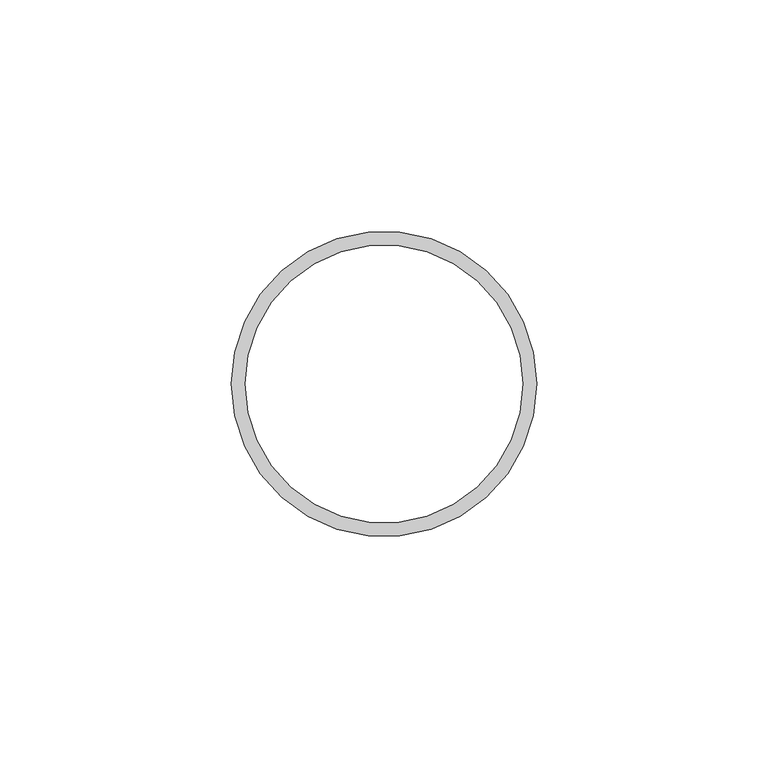
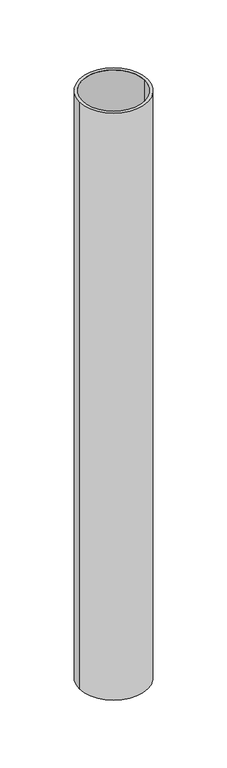
"""IFC4 building model written with IfcOpenShell, lengths in millimetres: beam geometry."""

from ifc_helpers import new_model, si_unit, point, frame, origin, origin_2d, place, context, project, spatial, circle_curve, trimmed, segment, composite_curve, outline, extrude, source, transform, mapped, element, save


def beam_a723bbd5(model_context):
    return source(origin(), model_context, "Body", "SweptSolid", [
        extrude(outline(composite_curve([segment(trimmed(circle_curve(origin_2d(), 33.0), [point((33.0, 0.0))], [point((-33.0, 0.0))], False, "CARTESIAN"), True, "CONTINUOUS"), segment(trimmed(circle_curve(origin_2d(), 33.0), [point((-33.0, 0.0))], [point((33.0, 0.0))], False, "CARTESIAN"), True, "CONTINUOUS")], self_intersect=False), holes=[composite_curve([segment(trimmed(circle_curve(origin_2d(), 30.0), [point((30.0, 0.0))], [point((-30.0, 0.0))], True, "CARTESIAN"), True, "CONTINUOUS"), segment(trimmed(circle_curve(origin_2d(), 30.0), [point((-30.0, 0.0))], [point((30.0, 0.0))], True, "CARTESIAN"), True, "CONTINUOUS")], self_intersect=False)]), frame((0.0, 0.0, -600.0), z_axis=(0.0, 0.0, 1.0), x_axis=(1.0, 0.0, 0.0)), (0.0, 0.0, 1.0), 600.0),
    ])


if __name__ == "__main__":
    model = new_model("IFC4")
    model_context = context("Model", 3, world=origin())
    ifc_project = project(units=[si_unit("LENGTHUNIT", "METRE", prefix="MILLI")], contexts=[model_context])
    site = spatial("IfcSite", under=ifc_project)
    building = spatial("IfcBuilding", under=site)
    placement = place(None, origin())
    beam_shape = beam_a723bbd5(model_context)
    element("IfcBeam", 1, at=placement, inside=building, context=model_context, shape_type="MappedRepresentation", body=[
        mapped(beam_shape, transform((0.0, 0.0, 0.0), x_axis=(1.0, 0.0, 0.0), y_axis=(0.0, 1.0, 0.0), z_axis=(0.0, 0.0, 1.0))),
    ])
    save(model, "model.ifc")
